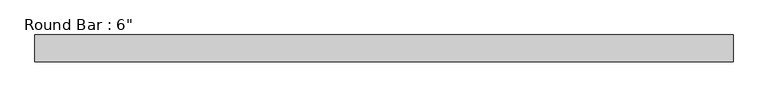
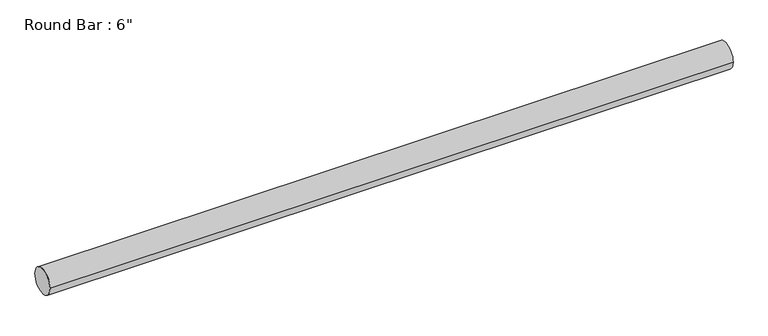
"""IFC4 building model written with IfcOpenShell, lengths in millimetres: beam geometry."""

from ifc_helpers import new_model, si_unit, point, frame, origin, origin_2d, place, context, project, spatial, circle_curve, trimmed, segment, composite_curve, outline, extrude, source, transform, mapped, element, save


def beam_87604021(model_context):
    return source(origin(), model_context, "Body", "SweptSolid", [
        extrude(outline(composite_curve([segment(trimmed(circle_curve(origin_2d(), 76.2), [point((76.2, 0.0))], [point((-76.2, 0.0))], False, "CARTESIAN"), True, "CONTINUOUS"), segment(trimmed(circle_curve(origin_2d(), 76.2), [point((-76.2, 0.0))], [point((76.2, 0.0))], False, "CARTESIAN"), True, "CONTINUOUS")], self_intersect=False)), frame((-2003.4520825, 0.0, 0.0), z_axis=(1.0, 0.0, 0.0), x_axis=(0.0, 1.0, 0.0)), (0.0, 0.0, 1.0), 3981.20574),
    ])


if __name__ == "__main__":
    model = new_model("IFC4")
    model_context = context("Model", 3, world=origin())
    ifc_project = project(units=[si_unit("LENGTHUNIT", "METRE", prefix="MILLI")], contexts=[model_context])
    site = spatial("IfcSite", under=ifc_project)
    building = spatial("IfcBuilding", under=site)
    placement = place(None, origin())
    beam_shape = beam_87604021(model_context)
    element("IfcBeam", 1, ObjectType="Round Bar : 6\"", at=placement, inside=building, context=model_context, shape_type="MappedRepresentation", body=[
        mapped(beam_shape, transform((0.0, 0.0, 0.0), x_axis=(1.0, 0.0, 0.0), y_axis=(0.0, 1.0, 0.0), z_axis=(0.0, 0.0, 1.0))),
    ])
    save(model, "model.ifc")
